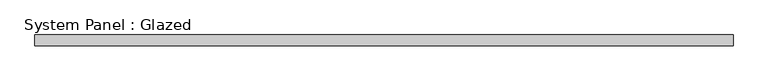
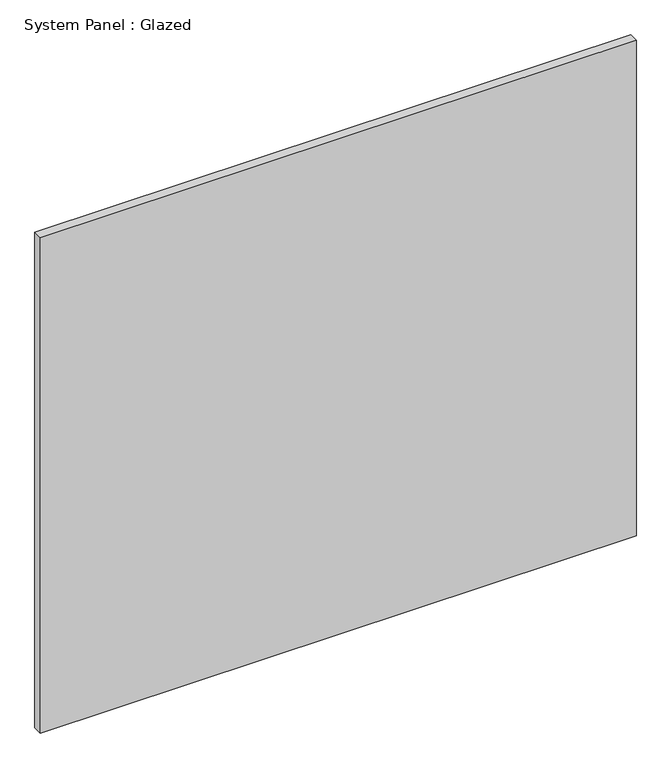
"""IFC4 building model written with IfcOpenShell, lengths in millimetres: plate geometry, System Panel : Glazed."""

from ifc_helpers import new_model, si_unit, origin, origin_with_axes, place, context, project, spatial, polyline, outline, extrude, source, transform, mapped, element, save


def system_panel_glazed_65c820ed(model_context):
    return source(origin(), model_context, "Body", "SweptSolid", [
        extrude(outline(polyline([(794.0628487, 24.5), (-794.0628487, 24.5), (-794.0628487, 49.5), (794.0628487, 49.5), (794.0628487, 24.5)])), origin_with_axes(), (0.0, 0.0, 1.0), 1395.0),
    ])


if __name__ == "__main__":
    model = new_model("IFC4")
    model_context = context("Model", 3, world=origin())
    ifc_project = project(units=[si_unit("LENGTHUNIT", "METRE", prefix="MILLI")], contexts=[model_context])
    site = spatial("IfcSite", under=ifc_project)
    building = spatial("IfcBuilding", under=site)
    placement = place(None, origin())
    system_panel_glazed_shape = system_panel_glazed_65c820ed(model_context)
    element("IfcPlate", 1, ObjectType="System Panel : Glazed", at=placement, inside=building, context=model_context, shape_type="MappedRepresentation", body=[
        mapped(system_panel_glazed_shape, transform((0.0, 0.0, 0.0), x_axis=(1.0, 0.0, 0.0), y_axis=(0.0, 1.0, 0.0), z_axis=(0.0, 0.0, 1.0))),
    ])
    save(model, "model.ifc")
